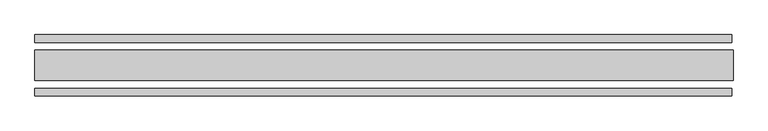
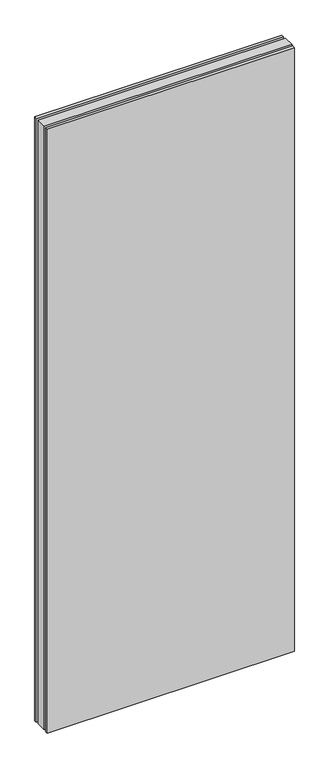
"""IFC4 building model written with IfcOpenShell, lengths in millimetres: plate geometry."""

from ifc_helpers import new_model, si_unit, origin, origin_with_axes, place, context, project, spatial, polyline, outline, extrude, source, transform, mapped, element, save


def plate_84da95a1(model_context):
    return source(origin(), model_context, "Body", "SweptSolid", [
        extrude(outline(polyline([(570.0, 25.0), (570.0, -25.0), (-568.0, -25.0), (-568.0, 25.0), (570.0, 25.0)])), origin_with_axes(), (0.0, 0.0, 1.0), 2930.0),
        extrude(outline(polyline([(568.0, 50.0), (568.0, 37.5), (-568.0, 37.5), (-568.0, 50.0), (568.0, 50.0)])), origin_with_axes(), (0.0, 0.0, 1.0), 2930.0),
        extrude(outline(polyline([(-568.0, -37.5), (568.0, -37.5), (568.0, -50.0), (-568.0, -50.0), (-568.0, -37.5)])), origin_with_axes(), (0.0, 0.0, 1.0), 2930.0),
    ])


if __name__ == "__main__":
    model = new_model("IFC4")
    model_context = context("Model", 3, world=origin())
    ifc_project = project(units=[si_unit("LENGTHUNIT", "METRE", prefix="MILLI")], contexts=[model_context])
    site = spatial("IfcSite", under=ifc_project)
    building = spatial("IfcBuilding", under=site)
    placement = place(None, origin())
    plate_shape = plate_84da95a1(model_context)
    element("IfcPlate", 1, at=placement, inside=building, context=model_context, shape_type="MappedRepresentation", body=[
        mapped(plate_shape, transform((0.0, 0.0, 0.0), x_axis=(1.0, 0.0, 0.0), y_axis=(0.0, 1.0, 0.0), z_axis=(0.0, 0.0, 1.0))),
    ])
    save(model, "model.ifc")
